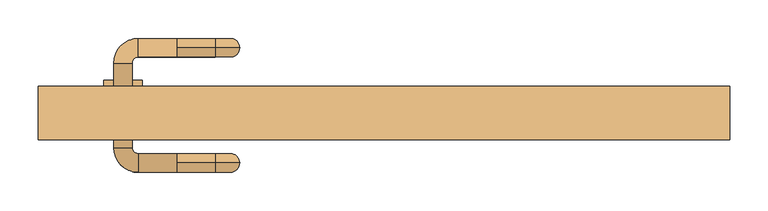
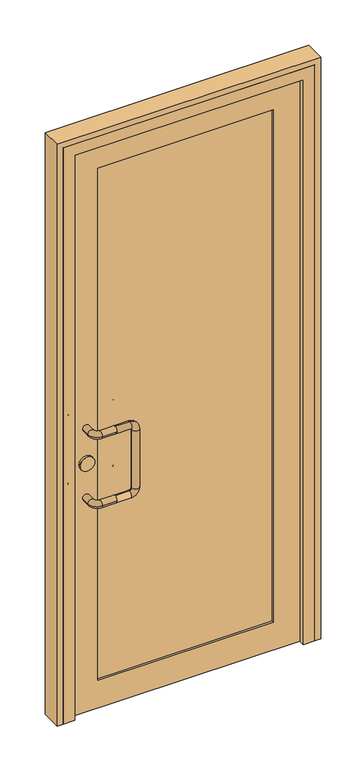
"""IFC4 building model written with IfcOpenShell, lengths in millimetres: door geometry."""

import ifcopenshell
import ifcopenshell.guid

model = None  # the IFC model being written
_history = None  # IfcOwnerHistory: only IFC2X3 demands one
_inside = {}  # id of a spatial element -> (the spatial element, [elements in it])
_under = {}  # id of a project, library or spatial element -> (it, [spatial elements below it])
_declared = {}  # id of a project -> (the project, [libraries it declares])
_typed = {}  # id of a type object -> (the type object, [elements of that type])
_made_of = {}  # id of a material, layer set ... -> (it, [elements and type objects made of it])


def new_model(schema):
    """Start an empty IFC model of exactly this schema.

    Asked for "IFC4X3", IfcOpenShell would pick the latest addendum, in which some entities
    have other attributes; the version numbers below select the first issue.
    IFC2X3 requires an IfcOwnerHistory on every rooted entity: one is made here for all.
    """
    global model, _history
    if schema == "IFC4X3":
        model = ifcopenshell.file(schema_version=(4, 3, 0, 0))
    else:
        model = ifcopenshell.file(schema=schema)
    _inside.clear()
    _under.clear()
    _declared.clear()
    _typed.clear()
    _made_of.clear()
    _history = None
    if model.schema == "IFC2X3":
        org = make("IfcOrganization", Name="unknown")
        user = make(
            "IfcPersonAndOrganization",
            ThePerson=make("IfcPerson", FamilyName="unknown"),
            TheOrganization=org,
        )
        app = make(
            "IfcApplication",
            ApplicationDeveloper=org,
            Version="unknown",
            ApplicationFullName="unknown",
            ApplicationIdentifier="unknown",
        )
        _history = make(
            "IfcOwnerHistory",
            OwningUser=user,
            OwningApplication=app,
            ChangeAction="ADDED",
            CreationDate=0,
        )
    return model


def make(cls, **values):
    """One entity of the class cls with the attributes given. An attribute that is None is left unset."""
    return model.create_entity(
        cls, **{name: value for name, value in values.items() if value is not None}
    )


def rooted(cls, **values):
    """An entity with a GlobalId (a new one), such as an element, a storey or a relation."""
    return make(cls, GlobalId=ifcopenshell.guid.new(), OwnerHistory=_history, **values)


def si_unit(unit_type, name, prefix=None):
    """IfcSIUnit, for example si_unit("LENGTHUNIT", "METRE", prefix="MILLI")."""
    return make("IfcSIUnit", UnitType=unit_type, Prefix=prefix, Name=name)


def assignment(units):
    """IfcUnitAssignment: the units of a project."""
    return None if units is None else make("IfcUnitAssignment", Units=units)


def point(xyz):
    """IfcCartesianPoint."""
    return None if xyz is None else make("IfcCartesianPoint", Coordinates=xyz)


def direction(xyz):
    """IfcDirection."""
    return None if xyz is None else make("IfcDirection", DirectionRatios=xyz)


def frame(location, z_axis=None, x_axis=None):
    """IfcAxis2Placement3D, a coordinate frame: its origin and axes. An axis left out is left unset."""
    return make(
        "IfcAxis2Placement3D",
        Location=point(location),
        Axis=direction(z_axis),
        RefDirection=direction(x_axis),
    )


def frame_2d(location, x_axis=None):
    """IfcAxis2Placement2D, a coordinate frame in the plane: its origin and x axis."""
    return make(
        "IfcAxis2Placement2D", Location=point(location), RefDirection=direction(x_axis)
    )


def origin():
    """The frame at (0, 0, 0) with its axes left unset."""
    return frame((0.0, 0.0, 0.0))


def place(relative_to, where):
    """IfcLocalPlacement: puts the frame where relative to a parent placement (None: the world)."""
    return make(
        "IfcLocalPlacement", PlacementRelTo=relative_to, RelativePlacement=where
    )


def context(
    kind, dimensions, precision=None, world=None, true_north=None, identifier=None
):
    """IfcGeometricRepresentationContext, for example the 3D "Model" context."""
    return make(
        "IfcGeometricRepresentationContext",
        ContextIdentifier=identifier,
        ContextType=kind,
        CoordinateSpaceDimension=dimensions,
        Precision=precision,
        WorldCoordinateSystem=world,
        TrueNorth=true_north,
    )


def project(units=None, contexts=None):
    """IfcProject with its units and contexts."""
    return rooted(
        "IfcProject",
        Name="project",
        RepresentationContexts=contexts,
        UnitsInContext=assignment(units),
    )


def spatial(cls, under=None, at=None, **own):
    """A site, building, storey or space (cls), placed at a placement, below another one or the project."""
    s = rooted(cls, ObjectPlacement=at, **own)
    if under is not None:
        _under.setdefault(under.id(), (under, []))[1].append(s)
    return s


def polyline(points):
    """IfcPolyline through the points."""
    return make("IfcPolyline", Points=[point(p) for p in points])


def circle_curve(where, radius):
    """IfcCircle in the frame where."""
    return make("IfcCircle", Position=where, Radius=radius)


def ellipse_curve(where, semi_axis1, semi_axis2):
    """IfcEllipse in the frame where."""
    return make(
        "IfcEllipse", Position=where, SemiAxis1=semi_axis1, SemiAxis2=semi_axis2
    )


def trimmed(basis, trim1, trim2, sense, master):
    """IfcTrimmedCurve: the piece of a basis curve between two trims."""
    return make(
        "IfcTrimmedCurve",
        BasisCurve=basis,
        Trim1=trim1,
        Trim2=trim2,
        SenseAgreement=sense,
        MasterRepresentation=master,
    )


def segment(curve, same_sense, transition):
    """IfcCompositeCurveSegment."""
    return make(
        "IfcCompositeCurveSegment",
        Transition=transition,
        SameSense=same_sense,
        ParentCurve=curve,
    )


def composite_curve(segments, self_intersect=None):
    """IfcCompositeCurve: segments joined end to end."""
    return make("IfcCompositeCurve", Segments=segments, SelfIntersect=self_intersect)


def outline(outer, holes=None, kind="AREA"):
    """IfcArbitraryClosedProfileDef: a profile drawn as a closed curve; with holes, ...WithVoids."""
    if holes is None:
        return make("IfcArbitraryClosedProfileDef", ProfileType=kind, OuterCurve=outer)
    return make(
        "IfcArbitraryProfileDefWithVoids",
        ProfileType=kind,
        OuterCurve=outer,
        InnerCurves=holes,
    )


def extrude(swept, where, along, depth):
    """IfcExtrudedAreaSolid: the profile swept, set in the frame where, extruded along a direction by depth."""
    return make(
        "IfcExtrudedAreaSolid",
        SweptArea=swept,
        Position=where,
        ExtrudedDirection=direction(along),
        Depth=depth,
    )


def faces_of(points, faces, orient=None, outer=None):
    """IfcFace entities. A face is a list of loops; a loop is a list of indices into points, from 0.

    orient and outer hold one flag for each loop. By default every Orientation is true, the
    first loop of a face is its IfcFaceOuterBound and the others are IfcFaceBound.
    """
    made = []
    for i, loops in enumerate(faces):
        bounds = []
        for j, loop in enumerate(loops):
            is_outer = j == 0 if outer is None else outer[i][j]
            bounds.append(
                make(
                    "IfcFaceOuterBound" if is_outer else "IfcFaceBound",
                    Bound=make("IfcPolyLoop", Polygon=[points[k] for k in loop]),
                    Orientation=True if orient is None else orient[i][j],
                )
            )
        made.append(make("IfcFace", Bounds=bounds))
    return made


def faceted_brep(points, faces, orient=None, outer=None, voids=None):
    """IfcFacetedBrep: a solid bounded by flat faces; with voids (closed shells), ...WithVoids."""
    shared = [point(p) for p in points]
    hull = make("IfcClosedShell", CfsFaces=faces_of(shared, faces, orient, outer))
    if voids is None:
        return make("IfcFacetedBrep", Outer=hull)
    return make(
        "IfcFacetedBrepWithVoids",
        Outer=hull,
        Voids=[
            make(cls, CfsFaces=faces_of(shared, fs, o, b)) for cls, fs, o, b in voids
        ],
    )


def shape(context_of_items, identifier, shape_type, items):
    """IfcShapeRepresentation: the items that make up one representation, for example the "Body"."""
    return make(
        "IfcShapeRepresentation",
        ContextOfItems=context_of_items,
        RepresentationIdentifier=identifier,
        RepresentationType=shape_type,
        Items=items,
    )


def source(mapping_origin, context_of_items, identifier, shape_type, items):
    """IfcRepresentationMap: a shape defined once, which mapped items show again and again."""
    return make(
        "IfcRepresentationMap",
        MappingOrigin=mapping_origin,
        MappedRepresentation=shape(context_of_items, identifier, shape_type, items),
    )


def transform(
    local_origin,
    x_axis=None,
    y_axis=None,
    z_axis=None,
    scale=None,
    scale2=None,
    scale3=None,
    uniform=True,
):
    """IfcCartesianTransformationOperator3D, or its non-uniform kind. x_axis, y_axis, z_axis: its Axis1, 2, 3."""
    if uniform:
        return make(
            "IfcCartesianTransformationOperator3D",
            Axis1=direction(x_axis),
            Axis2=direction(y_axis),
            LocalOrigin=point(local_origin),
            Scale=scale,
            Axis3=direction(z_axis),
        )
    return make(
        "IfcCartesianTransformationOperator3DnonUniform",
        Axis1=direction(x_axis),
        Axis2=direction(y_axis),
        LocalOrigin=point(local_origin),
        Scale=scale,
        Axis3=direction(z_axis),
        Scale2=scale2,
        Scale3=scale3,
    )


def mapped(mapping_source, mapping_target):
    """IfcMappedItem: shows the shape of a source again, moved by a transform."""
    return make(
        "IfcMappedItem", MappingSource=mapping_source, MappingTarget=mapping_target
    )


def made_of(thing, what):
    """Note that an element or type object is made of a material, layer set ...; save() writes the relation."""
    if what is not None:
        _made_of.setdefault(what.id(), (what, []))[1].append(thing)
    return thing


def element(
    cls,
    number,
    at=None,
    inside=None,
    cuts=None,
    type_object=None,
    material=None,
    context=None,
    identifier="Body",
    shape_type=None,
    held_by="IfcProductDefinitionShape",
    body=None,
    shapes=None,
    **own,
):
    """One element of the class cls, such as IfcWall. Its Tag is "e" and its number.

    at: its placement. inside: the storey or other place that contains it. cuts: it is an
    opening in that element (IfcRelVoidsElement). A single representation is given by context,
    identifier, shape_type and body (its items); several are given by shapes. held_by: the class
    of the entity that holds the representations. save() writes the other relations.
    """
    e = rooted(cls, Tag="e%d" % number, ObjectPlacement=at, **own)
    if body is not None:
        shapes = [shape(context, identifier, shape_type, body)]
    if shapes is not None:
        e.Representation = make(held_by, Representations=shapes)
    if inside is not None:
        _inside.setdefault(inside.id(), (inside, []))[1].append(e)
    if cuts is not None:
        rooted(
            "IfcRelVoidsElement", RelatingBuildingElement=cuts, RelatedOpeningElement=e
        )
    if type_object is not None:
        _typed.setdefault(type_object.id(), (type_object, []))[1].append(e)
    return made_of(e, material)


def aggregate(whole, parts):
    """IfcRelAggregates: a whole, such as a stair, and the parts it consists of."""
    return rooted("IfcRelAggregates", RelatingObject=whole, RelatedObjects=parts)


def save(model, path):
    """Write the relations noted so far, then the file.

    IfcRelAggregates (storeys below a building ...), IfcRelContainedInSpatialStructure (elements
    in a storey), IfcRelDefinesByType, IfcRelAssociatesMaterial and IfcRelDeclares: one each for
    every whole, place, type object, material and project.
    """
    for whole, parts in _under.values():
        aggregate(whole, parts)
    for where, things in _inside.values():
        rooted(
            "IfcRelContainedInSpatialStructure",
            RelatedElements=things,
            RelatingStructure=where,
        )
    for kind, things in _typed.values():
        rooted("IfcRelDefinesByType", RelatedObjects=things, RelatingType=kind)
    for what, things in _made_of.values():
        rooted("IfcRelAssociatesMaterial", RelatedObjects=things, RelatingMaterial=what)
    for by, libraries in _declared.values():
        rooted("IfcRelDeclares", RelatingContext=by, RelatedDefinitions=libraries)
    model.write(path)


def cylinder_surface(at, radius):
    """IfcCylindricalSurface: all points at the distance radius from the z axis of the frame at."""
    return make("IfcCylindricalSurface", Position=at, Radius=radius)


def revolved_surface(curve, axis_point, axis_direction):
    """IfcSurfaceOfRevolution: the curve turned about the line through axis_point along axis_direction."""
    return make(
        "IfcSurfaceOfRevolution",
        SweptCurve=make("IfcArbitraryOpenProfileDef", ProfileType="CURVE", Curve=curve),
        AxisPosition=make("IfcAxis1Placement", Location=point(axis_point), Axis=direction(axis_direction)),
    )


def advanced_brep(points, edges, surfaces, faces):
    """IfcAdvancedBrep: a solid bounded by faces that lie on surfaces and meet in shared edges.

    An edge is (start, end): straight between two places in points (the first is 0);
    or (start, end, curve); or (start, end, curve, False) where it runs against its curve.
    A face is (place in surfaces, loops), or (place, loops, False) where it looks against
    its surface's normal. A loop lists edges by number (the first is 1), with a minus sign
    where the edge is run from its end to its start. The first loop is the outer one.
    """
    corners = [point(p) for p in points]
    vertices = [make("IfcVertexPoint", VertexGeometry=c) for c in corners]
    made = []
    for start, end, *more in edges:
        made.append(
            make(
                "IfcEdgeCurve",
                EdgeStart=vertices[start],
                EdgeEnd=vertices[end],
                EdgeGeometry=more[0] if more else make("IfcPolyline", Points=[corners[start], corners[end]]),
                SameSense=more[1] if len(more) > 1 else True,
            )
        )
    hull = []
    for where, loops, *sense in faces:
        bounds = []
        for j, loop in enumerate(loops):
            ring = [make("IfcOrientedEdge", EdgeElement=made[abs(k) - 1], Orientation=k > 0) for k in loop]
            bounds.append(
                make(
                    "IfcFaceOuterBound" if j == 0 else "IfcFaceBound",
                    Bound=make("IfcEdgeLoop", EdgeList=ring),
                    Orientation=True,
                )
            )
        hull.append(make("IfcAdvancedFace", Bounds=bounds, FaceSurface=surfaces[where], SameSense=sense[0] if sense else True))
    return make("IfcAdvancedBrep", Outer=make("IfcClosedShell", CfsFaces=hull))


def door_0f15b1cc(model_context):
    return source(origin(), model_context, "Body", "SolidModel", [
        advanced_brep(
        [(-270.0, 122.0, 1025.0), (-320.0, 122.0, 1025.0), (-320.0, 98.0, 1025.0), (-270.0, 98.0, 1025.0), (-270.0, 110.0, 1037.0), (-270.0, 110.0, 1013.0), (-352.0, 90.0, 1025.0), (-328.0, 90.0, 1025.0), (-352.0, -20.0, 1025.0), (-328.0, -20.0, 1025.0), (-320.0, -52.0, 1025.0), (-320.0, -28.0, 1025.0), (-270.0, -52.0, 1025.0), (-270.0, -40.0, 1037.0), (-270.0, -28.0, 1025.0), (-270.0, -40.0, 1013.0), (-220.0, 110.0, 1013.0), (-220.0, 110.0, 1037.0), (-212.0, 110.0, 1005.0), (-188.0, 110.0, 1005.0), (-212.0, 110.0, 795.0), (-188.0, 110.0, 795.0), (-220.0, 110.0, 787.0), (-220.0, 110.0, 763.0), (-270.0, 110.0, 787.0), (-270.0, 98.0, 775.0), (-270.0, 110.0, 763.0), (-270.0, 122.0, 775.0), (-320.0, 122.0, 775.0), (-320.0, 98.0, 775.0), (-352.0, 90.0, 775.0), (-328.0, 90.0, 775.0), (-352.0, -20.0, 775.0), (-328.0, -20.0, 775.0), (-320.0, -52.0, 775.0), (-320.0, -28.0, 775.0), (-270.0, -52.0, 775.0), (-270.0, -40.0, 787.0), (-270.0, -28.0, 775.0), (-270.0, -40.0, 763.0), (-220.0, -40.0, 1013.0), (-220.0, -40.0, 1037.0), (-212.0, -40.0, 1005.0), (-188.0, -40.0, 1005.0), (-212.0, -40.0, 795.0), (-188.0, -40.0, 795.0), (-220.0, -40.0, 787.0), (-220.0, -40.0, 763.0)],
        [
            (0, 1),
            (1, 2, circle_curve(frame((-320.0, 110.0, 1025.0), z_axis=(1.0, 0.0, 0.0), x_axis=(0.0, -1.0, 0.0)), 12.0)),
            (2, 3),
            (3, 4, circle_curve(frame((-270.0, 110.0, 1025.0), z_axis=(-1.0, 0.0, 0.0), x_axis=(0.0, -1.0, 0.0)), 12.0)),
            (4, 0, circle_curve(frame((-270.0, 110.0, 1025.0), z_axis=(-1.0, 0.0, 0.0), x_axis=(0.0, -1.0, 0.0)), 12.0)),
            (0, 5, circle_curve(frame((-270.0, 110.0, 1025.0), z_axis=(-1.0, 0.0, 0.0), x_axis=(0.0, -1.0, 0.0)), 12.0)),
            (5, 3, circle_curve(frame((-270.0, 110.0, 1025.0), z_axis=(-1.0, 0.0, 0.0), x_axis=(0.0, -1.0, 0.0)), 12.0)),
            (2, 1, circle_curve(frame((-320.0, 110.0, 1025.0), z_axis=(1.0, 0.0, 0.0), x_axis=(0.0, -1.0, 0.0)), 12.0)),
            (1, 6, circle_curve(frame((-320.0, 90.0, 1025.0), z_axis=(0.0, 0.0, 1.0), x_axis=(0.0, 1.0, 0.0)), 32.0)),
            (6, 7, circle_curve(frame((-340.0, 90.0, 1025.0), z_axis=(0.0, 1.0, 0.0), x_axis=(1.0, 0.0, 0.0)), 12.0)),
            (7, 2, circle_curve(frame((-320.0, 90.0, 1025.0), z_axis=(0.0, 0.0, -1.0), x_axis=(0.0, 1.0, 0.0)), 8.0)),
            (7, 6, circle_curve(frame((-340.0, 90.0, 1025.0), z_axis=(0.0, 1.0, 0.0), x_axis=(1.0, 0.0, 0.0)), 12.0)),
            (6, 8),
            (8, 9, circle_curve(frame((-340.0, -20.0, 1025.0), z_axis=(0.0, 1.0, 0.0), x_axis=(1.0, 0.0, 0.0)), 12.0)),
            (9, 7),
            (9, 8, circle_curve(frame((-340.0, -20.0, 1025.0), z_axis=(0.0, 1.0, 0.0), x_axis=(1.0, 0.0, 0.0)), 12.0)),
            (8, 10, circle_curve(frame((-320.0, -20.0, 1025.0), z_axis=(0.0, 0.0, 1.0), x_axis=(-1.0, 0.0, 0.0)), 32.0)),
            (10, 11, circle_curve(frame((-320.0, -40.0, 1025.0), z_axis=(-1.0, 0.0, 0.0), x_axis=(0.0, 1.0, 0.0)), 12.0)),
            (11, 9, circle_curve(frame((-320.0, -20.0, 1025.0), z_axis=(0.0, 0.0, -1.0), x_axis=(-1.0, 0.0, 0.0)), 8.0)),
            (11, 10, circle_curve(frame((-320.0, -40.0, 1025.0), z_axis=(-1.0, 0.0, 0.0), x_axis=(0.0, 1.0, 0.0)), 12.0)),
            (10, 12),
            (12, 13, circle_curve(frame((-270.0, -40.0, 1025.0), z_axis=(-1.0, 0.0, 0.0), x_axis=(0.0, 1.0, 0.0)), 12.0)),
            (13, 14, circle_curve(frame((-270.0, -40.0, 1025.0), z_axis=(-1.0, 0.0, 0.0), x_axis=(0.0, 1.0, 0.0)), 12.0)),
            (14, 11),
            (14, 15, circle_curve(frame((-270.0, -40.0, 1025.0), z_axis=(-1.0, 0.0, 0.0), x_axis=(0.0, 1.0, 0.0)), 12.0)),
            (15, 12, circle_curve(frame((-270.0, -40.0, 1025.0), z_axis=(-1.0, 0.0, 0.0), x_axis=(0.0, 1.0, 0.0)), 12.0)),
            (5, 16),
            (16, 17, circle_curve(frame((-220.0, 110.0, 1025.0), z_axis=(-1.0, 0.0, 0.0), x_axis=(0.0, 0.0, 1.0)), 12.0)),
            (17, 4),
            (17, 16, circle_curve(frame((-220.0, 110.0, 1025.0), z_axis=(-1.0, 0.0, 0.0), x_axis=(0.0, 0.0, 1.0)), 12.0)),
            (16, 18, circle_curve(frame((-220.0, 110.0, 1005.0), z_axis=(0.0, 1.0, 0.0), x_axis=(0.0, 0.0, 1.0)), 8.0)),
            (18, 19, circle_curve(frame((-200.0, 110.0, 1005.0), z_axis=(0.0, 0.0, 1.0), x_axis=(1.0, 0.0, 0.0)), 12.0)),
            (19, 17, circle_curve(frame((-220.0, 110.0, 1005.0), z_axis=(0.0, -1.0, 0.0), x_axis=(0.0, 0.0, 1.0)), 32.0)),
            (19, 18, circle_curve(frame((-200.0, 110.0, 1005.0), z_axis=(0.0, 0.0, 1.0), x_axis=(1.0, 0.0, 0.0)), 12.0)),
            (18, 20),
            (20, 21, circle_curve(frame((-200.0, 110.0, 795.0), z_axis=(0.0, 0.0, 1.0), x_axis=(1.0, 0.0, 0.0)), 12.0)),
            (21, 19),
            (21, 20, circle_curve(frame((-200.0, 110.0, 795.0), z_axis=(0.0, 0.0, 1.0), x_axis=(1.0, 0.0, 0.0)), 12.0)),
            (20, 22, circle_curve(frame((-220.0, 110.0, 795.0), z_axis=(0.0, 1.0, 0.0), x_axis=(1.0, 0.0, 0.0)), 8.0)),
            (22, 23, circle_curve(frame((-220.0, 110.0, 775.0), z_axis=(1.0, 0.0, 0.0), x_axis=(0.0, 0.0, -1.0)), 12.0)),
            (23, 21, circle_curve(frame((-220.0, 110.0, 795.0), z_axis=(0.0, -1.0, 0.0), x_axis=(1.0, 0.0, 0.0)), 32.0)),
            (23, 22, circle_curve(frame((-220.0, 110.0, 775.0), z_axis=(1.0, 0.0, 0.0), x_axis=(0.0, 0.0, -1.0)), 12.0)),
            (22, 24),
            (24, 25, circle_curve(frame((-270.0, 110.0, 775.0), z_axis=(1.0, 0.0, 0.0), x_axis=(0.0, 0.0, -1.0)), 12.0)),
            (25, 26, circle_curve(frame((-270.0, 110.0, 775.0), z_axis=(1.0, 0.0, 0.0), x_axis=(0.0, 0.0, -1.0)), 12.0)),
            (26, 23),
            (26, 27, circle_curve(frame((-270.0, 110.0, 775.0), z_axis=(1.0, 0.0, 0.0), x_axis=(0.0, 0.0, -1.0)), 12.0)),
            (27, 24, circle_curve(frame((-270.0, 110.0, 775.0), z_axis=(1.0, 0.0, 0.0), x_axis=(0.0, 0.0, -1.0)), 12.0)),
            (27, 28),
            (28, 29, circle_curve(frame((-320.0, 110.0, 775.0), z_axis=(1.0, 0.0, 0.0), x_axis=(0.0, -1.0, 0.0)), 12.0)),
            (29, 25),
            (29, 28, circle_curve(frame((-320.0, 110.0, 775.0), z_axis=(1.0, 0.0, 0.0), x_axis=(0.0, -1.0, 0.0)), 12.0)),
            (28, 30, circle_curve(frame((-320.0, 90.0, 775.0), z_axis=(0.0, 0.0, 1.0), x_axis=(0.0, 1.0, 0.0)), 32.0)),
            (30, 31, circle_curve(frame((-340.0, 90.0, 775.0), z_axis=(0.0, 1.0, 0.0), x_axis=(1.0, 0.0, 0.0)), 12.0)),
            (31, 29, circle_curve(frame((-320.0, 90.0, 775.0), z_axis=(0.0, 0.0, -1.0), x_axis=(0.0, 1.0, 0.0)), 8.0)),
            (31, 30, circle_curve(frame((-340.0, 90.0, 775.0), z_axis=(0.0, 1.0, 0.0), x_axis=(1.0, 0.0, 0.0)), 12.0)),
            (30, 32),
            (32, 33, circle_curve(frame((-340.0, -20.0, 775.0), z_axis=(0.0, 1.0, 0.0), x_axis=(1.0, 0.0, 0.0)), 12.0)),
            (33, 31),
            (33, 32, circle_curve(frame((-340.0, -20.0, 775.0), z_axis=(0.0, 1.0, 0.0), x_axis=(1.0, 0.0, 0.0)), 12.0)),
            (32, 34, circle_curve(frame((-320.0, -20.0, 775.0), z_axis=(0.0, 0.0, 1.0), x_axis=(-1.0, 0.0, 0.0)), 32.0)),
            (34, 35, circle_curve(frame((-320.0, -40.0, 775.0), z_axis=(-1.0, 0.0, 0.0), x_axis=(0.0, 1.0, 0.0)), 12.0)),
            (35, 33, circle_curve(frame((-320.0, -20.0, 775.0), z_axis=(0.0, 0.0, -1.0), x_axis=(-1.0, 0.0, 0.0)), 8.0)),
            (35, 34, circle_curve(frame((-320.0, -40.0, 775.0), z_axis=(-1.0, 0.0, 0.0), x_axis=(0.0, 1.0, 0.0)), 12.0)),
            (34, 36),
            (36, 37, circle_curve(frame((-270.0, -40.0, 775.0), z_axis=(-1.0, 0.0, 0.0), x_axis=(0.0, 1.0, 0.0)), 12.0)),
            (37, 38, circle_curve(frame((-270.0, -40.0, 775.0), z_axis=(-1.0, 0.0, 0.0), x_axis=(0.0, 1.0, 0.0)), 12.0)),
            (38, 35),
            (38, 39, circle_curve(frame((-270.0, -40.0, 775.0), z_axis=(-1.0, 0.0, 0.0), x_axis=(0.0, 1.0, 0.0)), 12.0)),
            (39, 36, circle_curve(frame((-270.0, -40.0, 775.0), z_axis=(-1.0, 0.0, 0.0), x_axis=(0.0, 1.0, 0.0)), 12.0)),
            (15, 40),
            (40, 41, circle_curve(frame((-220.0, -40.0, 1025.0), z_axis=(-1.0, 0.0, 0.0), x_axis=(0.0, 0.0, 1.0)), 12.0)),
            (41, 13),
            (41, 40, circle_curve(frame((-220.0, -40.0, 1025.0), z_axis=(-1.0, 0.0, 0.0), x_axis=(0.0, 0.0, 1.0)), 12.0)),
            (40, 42, circle_curve(frame((-220.0, -40.0, 1005.0), z_axis=(0.0, 1.0, 0.0), x_axis=(0.0, 0.0, 1.0)), 8.0)),
            (42, 43, circle_curve(frame((-200.0, -40.0, 1005.0), z_axis=(0.0, 0.0, 1.0), x_axis=(1.0, 0.0, 0.0)), 12.0)),
            (43, 41, circle_curve(frame((-220.0, -40.0, 1005.0), z_axis=(0.0, -1.0, 0.0), x_axis=(0.0, 0.0, 1.0)), 32.0)),
            (43, 42, circle_curve(frame((-200.0, -40.0, 1005.0), z_axis=(0.0, 0.0, 1.0), x_axis=(1.0, 0.0, 0.0)), 12.0)),
            (42, 44),
            (44, 45, circle_curve(frame((-200.0, -40.0, 795.0), z_axis=(0.0, 0.0, 1.0), x_axis=(1.0, 0.0, 0.0)), 12.0)),
            (45, 43),
            (45, 44, circle_curve(frame((-200.0, -40.0, 795.0), z_axis=(0.0, 0.0, 1.0), x_axis=(1.0, 0.0, 0.0)), 12.0)),
            (44, 46, circle_curve(frame((-220.0, -40.0, 795.0), z_axis=(0.0, 1.0, 0.0), x_axis=(1.0, 0.0, 0.0)), 8.0)),
            (46, 47, circle_curve(frame((-220.0, -40.0, 775.0), z_axis=(1.0, 0.0, 0.0), x_axis=(0.0, 0.0, -1.0)), 12.0)),
            (47, 45, circle_curve(frame((-220.0, -40.0, 795.0), z_axis=(0.0, -1.0, 0.0), x_axis=(1.0, 0.0, 0.0)), 32.0)),
            (47, 46, circle_curve(frame((-220.0, -40.0, 775.0), z_axis=(1.0, 0.0, 0.0), x_axis=(0.0, 0.0, -1.0)), 12.0)),
            (46, 37),
            (39, 47),
        ],
        [
            cylinder_surface(frame((-270.0, 110.0, 1025.0), z_axis=(1.0, 0.0, 0.0), x_axis=(0.0, -1.0, 0.0)), 12.0),
            revolved_surface(trimmed(ellipse_curve(frame((-320.0, 110.0, 1025.0), z_axis=(1.0, 0.0, 0.0), x_axis=(0.0, -1.0, 0.0)), 12.0, 12.0), [point((-320.0, 122.0, 1025.0))], [point((-320.0, 98.0, 1025.0))], True, "CARTESIAN"), (-320.0, 90.0, 1025.0), (0.0, 0.0, 1.0)),
            revolved_surface(trimmed(ellipse_curve(frame((-320.0, 110.0, 1025.0), z_axis=(1.0, 0.0, 0.0), x_axis=(0.0, -1.0, 0.0)), 12.0, 12.0), [point((-320.0, 98.0, 1025.0))], [point((-320.0, 122.0, 1025.0))], True, "CARTESIAN"), (-320.0, 90.0, 1025.0), (0.0, 0.0, 1.0)),
            cylinder_surface(frame((-340.0, 90.0, 1025.0), z_axis=(0.0, 1.0, 0.0), x_axis=(1.0, 0.0, 0.0)), 12.0),
            revolved_surface(trimmed(ellipse_curve(frame((-340.0, -20.0, 1025.0), z_axis=(0.0, 1.0, 0.0), x_axis=(1.0, 0.0, 0.0)), 12.0, 12.0), [point((-352.0, -20.0, 1025.0))], [point((-328.0, -20.0, 1025.0))], True, "CARTESIAN"), (-320.0, -20.0, 1025.0), (0.0, 0.0, 1.0)),
            revolved_surface(trimmed(ellipse_curve(frame((-340.0, -20.0, 1025.0), z_axis=(0.0, 1.0, 0.0), x_axis=(1.0, 0.0, 0.0)), 12.0, 12.0), [point((-328.0, -20.0, 1025.0))], [point((-352.0, -20.0, 1025.0))], True, "CARTESIAN"), (-320.0, -20.0, 1025.0), (0.0, 0.0, 1.0)),
            cylinder_surface(frame((-320.0, -40.0, 1025.0), z_axis=(-1.0, 0.0, 0.0), x_axis=(0.0, 1.0, 0.0)), 12.0),
            cylinder_surface(frame((-270.0, 110.0, 1025.0), z_axis=(-1.0, 0.0, 0.0), x_axis=(0.0, 0.0, 1.0)), 12.0),
            revolved_surface(trimmed(ellipse_curve(frame((-220.0, 110.0, 1025.0), z_axis=(-1.0, 0.0, 0.0), x_axis=(0.0, 0.0, 1.0)), 12.0, 12.0), [point((-220.0, 110.0, 1013.0))], [point((-220.0, 110.0, 1037.0))], True, "CARTESIAN"), (-220.0, 110.0, 1005.0), (0.0, 1.0, 0.0)),
            revolved_surface(trimmed(ellipse_curve(frame((-220.0, 110.0, 1025.0), z_axis=(-1.0, 0.0, 0.0), x_axis=(0.0, 0.0, 1.0)), 12.0, 12.0), [point((-220.0, 110.0, 1037.0))], [point((-220.0, 110.0, 1013.0))], True, "CARTESIAN"), (-220.0, 110.0, 1005.0), (0.0, 1.0, 0.0)),
            cylinder_surface(frame((-200.0, 110.0, 1005.0), z_axis=(0.0, 0.0, 1.0), x_axis=(1.0, 0.0, 0.0)), 12.0),
            revolved_surface(trimmed(ellipse_curve(frame((-200.0, 110.0, 795.0), z_axis=(0.0, 0.0, 1.0), x_axis=(1.0, 0.0, 0.0)), 12.0, 12.0), [point((-212.0, 110.0, 795.0))], [point((-188.0, 110.0, 795.0))], True, "CARTESIAN"), (-220.0, 110.0, 795.0), (0.0, 1.0, 0.0)),
            revolved_surface(trimmed(ellipse_curve(frame((-200.0, 110.0, 795.0), z_axis=(0.0, 0.0, 1.0), x_axis=(1.0, 0.0, 0.0)), 12.0, 12.0), [point((-188.0, 110.0, 795.0))], [point((-212.0, 110.0, 795.0))], True, "CARTESIAN"), (-220.0, 110.0, 795.0), (0.0, 1.0, 0.0)),
            cylinder_surface(frame((-220.0, 110.0, 775.0), z_axis=(1.0, 0.0, 0.0), x_axis=(0.0, 0.0, -1.0)), 12.0),
            cylinder_surface(frame((-270.0, 110.0, 775.0), z_axis=(1.0, 0.0, 0.0), x_axis=(0.0, -1.0, 0.0)), 12.0),
            revolved_surface(trimmed(ellipse_curve(frame((-320.0, 110.0, 775.0), z_axis=(1.0, 0.0, 0.0), x_axis=(0.0, -1.0, 0.0)), 12.0, 12.0), [point((-320.0, 122.0, 775.0))], [point((-320.0, 98.0, 775.0))], True, "CARTESIAN"), (-320.0, 90.0, 775.0), (0.0, 0.0, 1.0)),
            revolved_surface(trimmed(ellipse_curve(frame((-320.0, 110.0, 775.0), z_axis=(1.0, 0.0, 0.0), x_axis=(0.0, -1.0, 0.0)), 12.0, 12.0), [point((-320.0, 98.0, 775.0))], [point((-320.0, 122.0, 775.0))], True, "CARTESIAN"), (-320.0, 90.0, 775.0), (0.0, 0.0, 1.0)),
            cylinder_surface(frame((-340.0, 90.0, 775.0), z_axis=(0.0, 1.0, 0.0), x_axis=(1.0, 0.0, 0.0)), 12.0),
            revolved_surface(trimmed(ellipse_curve(frame((-340.0, -20.0, 775.0), z_axis=(0.0, 1.0, 0.0), x_axis=(1.0, 0.0, 0.0)), 12.0, 12.0), [point((-352.0, -20.0, 775.0))], [point((-328.0, -20.0, 775.0))], True, "CARTESIAN"), (-320.0, -20.0, 775.0), (0.0, 0.0, 1.0)),
            revolved_surface(trimmed(ellipse_curve(frame((-340.0, -20.0, 775.0), z_axis=(0.0, 1.0, 0.0), x_axis=(1.0, 0.0, 0.0)), 12.0, 12.0), [point((-328.0, -20.0, 775.0))], [point((-352.0, -20.0, 775.0))], True, "CARTESIAN"), (-320.0, -20.0, 775.0), (0.0, 0.0, 1.0)),
            cylinder_surface(frame((-320.0, -40.0, 775.0), z_axis=(-1.0, 0.0, 0.0), x_axis=(0.0, 1.0, 0.0)), 12.0),
            cylinder_surface(frame((-270.0, -40.0, 1025.0), z_axis=(-1.0, 0.0, 0.0), x_axis=(0.0, 0.0, 1.0)), 12.0),
            revolved_surface(trimmed(ellipse_curve(frame((-220.0, -40.0, 1025.0), z_axis=(-1.0, 0.0, 0.0), x_axis=(0.0, 0.0, 1.0)), 12.0, 12.0), [point((-220.0, -40.0, 1013.0))], [point((-220.0, -40.0, 1037.0))], True, "CARTESIAN"), (-220.0, -40.0, 1005.0), (0.0, 1.0, 0.0)),
            revolved_surface(trimmed(ellipse_curve(frame((-220.0, -40.0, 1025.0), z_axis=(-1.0, 0.0, 0.0), x_axis=(0.0, 0.0, 1.0)), 12.0, 12.0), [point((-220.0, -40.0, 1037.0))], [point((-220.0, -40.0, 1013.0))], True, "CARTESIAN"), (-220.0, -40.0, 1005.0), (0.0, 1.0, 0.0)),
            cylinder_surface(frame((-200.0, -40.0, 1005.0), z_axis=(0.0, 0.0, 1.0), x_axis=(1.0, 0.0, 0.0)), 12.0),
            revolved_surface(trimmed(ellipse_curve(frame((-200.0, -40.0, 795.0), z_axis=(0.0, 0.0, 1.0), x_axis=(1.0, 0.0, 0.0)), 12.0, 12.0), [point((-212.0, -40.0, 795.0))], [point((-188.0, -40.0, 795.0))], True, "CARTESIAN"), (-220.0, -40.0, 795.0), (0.0, 1.0, 0.0)),
            revolved_surface(trimmed(ellipse_curve(frame((-200.0, -40.0, 795.0), z_axis=(0.0, 0.0, 1.0), x_axis=(1.0, 0.0, 0.0)), 12.0, 12.0), [point((-188.0, -40.0, 795.0))], [point((-212.0, -40.0, 795.0))], True, "CARTESIAN"), (-220.0, -40.0, 795.0), (0.0, 1.0, 0.0)),
            cylinder_surface(frame((-220.0, -40.0, 775.0), z_axis=(1.0, 0.0, 0.0), x_axis=(0.0, 0.0, -1.0)), 12.0),
        ],
        [
            (0, [[1, 2, 3, 4, 5]]),
            (0, [[-1, 6, 7, -3, 8]]),
            (1, [[-2, 9, 10, 11]]),
            (2, [[-8, -11, 12, -9]]),
            (3, [[-10, 13, 14, 15]]),
            (3, [[-12, -15, 16, -13]]),
            (4, [[-14, 17, 18, 19]]),
            (5, [[-16, -19, 20, -17]]),
            (6, [[-18, 21, 22, 23, 24]]),
            (6, [[-20, -24, 25, 26, -21]]),
            (7, [[27, 28, 29, -4, -7]]),
            (7, [[-27, -6, -5, -29, 30]]),
            (8, [[-28, 31, 32, 33]]),
            (9, [[-30, -33, 34, -31]]),
            (10, [[-32, 35, 36, 37]]),
            (10, [[-34, -37, 38, -35]]),
            (11, [[-36, 39, 40, 41]]),
            (12, [[-38, -41, 42, -39]]),
            (13, [[-40, 43, 44, 45, 46]]),
            (13, [[-42, -46, 47, 48, -43]]),
            (14, [[49, 50, 51, -44, -48]]),
            (14, [[-49, -47, -45, -51, 52]]),
            (15, [[-50, 53, 54, 55]]),
            (16, [[-52, -55, 56, -53]]),
            (17, [[-54, 57, 58, 59]]),
            (17, [[-56, -59, 60, -57]]),
            (18, [[-58, 61, 62, 63]]),
            (19, [[-60, -63, 64, -61]]),
            (20, [[-62, 65, 66, 67, 68]]),
            (20, [[-64, -68, 69, 70, -65]]),
            (21, [[71, 72, 73, -22, -26]]),
            (21, [[-71, -25, -23, -73, 74]]),
            (22, [[-72, 75, 76, 77]]),
            (23, [[-74, -77, 78, -75]]),
            (24, [[-76, 79, 80, 81]]),
            (24, [[-78, -81, 82, -79]]),
            (25, [[-80, 83, 84, 85]]),
            (26, [[-82, -85, 86, -83]]),
            (27, [[-84, 87, -66, -70, 88]]),
            (27, [[-86, -88, -69, -67, -87]]),
        ],
    ),
        extrude(outline(composite_curve([segment(trimmed(circle_curve(frame_2d((900.0, -340.0)), 25.0), [point((900.0, -365.0))], [point((900.0, -315.0))], False, "CARTESIAN"), True, "CONTINUOUS"), segment(trimmed(circle_curve(frame_2d((900.0, -340.0)), 25.0), [point((900.0, -315.0))], [point((900.0, -365.0))], False, "CARTESIAN"), True, "CONTINUOUS")], self_intersect=False)), frame((0.0, 2.0, 0.0), z_axis=(0.0, 1.0, 0.0), x_axis=(0.0, 0.0, 1.0)), (0.0, 0.0, 1.0), 66.0),
        extrude(outline(polyline([(-300.0, 52.0), (300.0, 52.0), (300.0, 18.0), (-300.0, 18.0), (-300.0, 52.0)])), frame((0.0, 0.0, 100.0), z_axis=(0.0, 0.0, 1.0), x_axis=(1.0, 0.0, 0.0)), (0.0, 0.0, 1.0), 1850.0),
        extrude(outline(polyline([(0.0, -400.0), (0.0, 400.0), (2050.0, 400.0), (2050.0, -400.0), (0.0, -400.0)]), holes=[polyline([(100.0, 300.0), (100.0, -300.0), (1950.0, -300.0), (1950.0, 300.0), (100.0, 300.0)])]), frame((0.0, 10.0, 0.0), z_axis=(0.0, 1.0, 0.0), x_axis=(0.0, 0.0, 1.0)), (0.0, 0.0, 1.0), 50.0),
        extrude(outline(polyline([(0.0, 450.0), (2100.0, 450.0), (2100.0, -450.0), (0.0, -450.0), (0.0, -430.0), (2080.0, -430.0), (2080.0, 430.0), (0.0, 430.0), (0.0, 450.0)])), frame((0.0, -10.0, 0.0), z_axis=(0.0, 1.0, 0.0), x_axis=(0.0, 0.0, 1.0)), (0.0, 0.0, 1.0), 70.0),
        faceted_brep([(-430.0, -10.0, 0.0), (-430.0, 60.0, 0.0), (-400.0, 60.0, 0.0), (-400.0, 10.0, 0.0), (-390.0, 10.0, 0.0), (-390.0, -10.0, 0.0), (-430.0, -10.0, 2080.0), (-430.0, 60.0, 2080.0), (430.0, 60.0, 2080.0), (430.0, 60.0, 0.0), (400.0, 60.0, 0.0), (400.0, 60.0, 2050.0), (-400.0, 60.0, 2050.0), (-400.0, 10.0, 2050.0), (400.0, 10.0, 2050.0), (400.0, 10.0, 0.0), (390.0, 10.0, 0.0), (390.0, 10.0, 2040.0), (-390.0, 10.0, 2040.0), (-390.0, -10.0, 2040.0), (390.0, -10.0, 2040.0), (390.0, -10.0, 0.0), (430.0, -10.0, 0.0), (430.0, -10.0, 2080.0)], [[[0, 1, 2, 3, 4, 5]], [[1, 0, 6, 7]], [[2, 1, 7, 8, 9, 10, 11, 12]], [[3, 2, 12, 13]], [[4, 3, 13, 14, 15, 16, 17, 18]], [[5, 4, 18, 19]], [[0, 5, 19, 20, 21, 22, 23, 6]], [[7, 6, 23, 8]], [[13, 12, 11, 14]], [[19, 18, 17, 20]], [[22, 21, 16, 15, 10, 9]], [[8, 23, 22, 9]], [[14, 11, 10, 15]], [[20, 17, 16, 21]]]),
    ])


if __name__ == "__main__":
    model = new_model("IFC4")
    model_context = context("Model", 3, world=origin())
    ifc_project = project(units=[si_unit("LENGTHUNIT", "METRE", prefix="MILLI")], contexts=[model_context])
    site = spatial("IfcSite", under=ifc_project)
    building = spatial("IfcBuilding", under=site)
    placement = place(None, origin())
    door_shape = door_0f15b1cc(model_context)
    element("IfcDoor", 1, at=placement, inside=building, context=model_context, shape_type="MappedRepresentation", body=[
        mapped(door_shape, transform((0.0, 0.0, 0.0), x_axis=(1.0, 0.0, 0.0), y_axis=(0.0, 1.0, 0.0), z_axis=(0.0, 0.0, 1.0))),
    ])
    save(model, "model.ifc")
